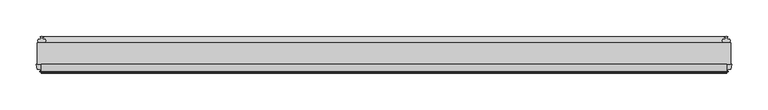
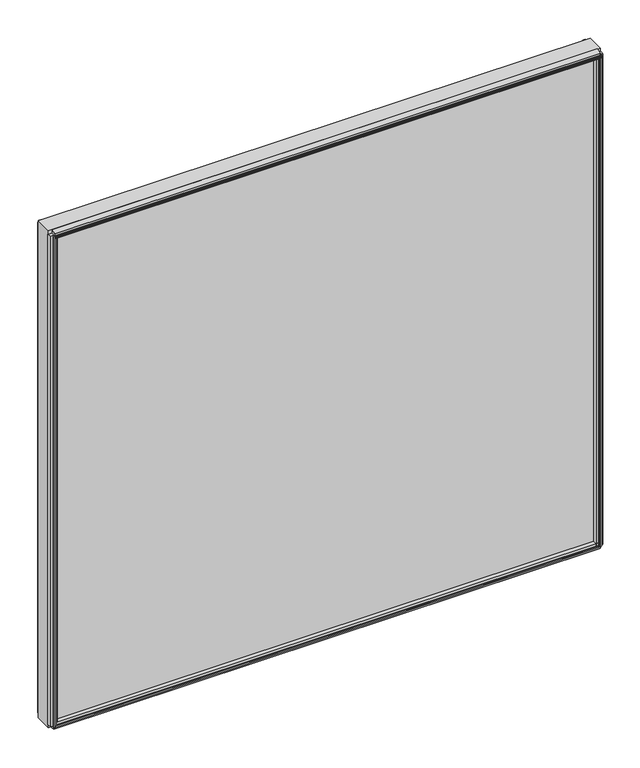
"""IFC4 building model written with IfcOpenShell, lengths in millimetres: plate geometry."""

from ifc_helpers import new_model, si_unit, point, frame, frame_2d, origin, place, context, project, spatial, polyline, circle_curve, trimmed, segment, composite_curve, outline, extrude, source, transform, mapped, element, save


def plate_c6a402ee(model_context):
    return source(origin(), model_context, "Body", "SweptSolid", [
        extrude(outline(polyline([(471.425, 0.0611188), (471.425, -30.0632812), (-482.5375, -30.0632812), (-482.5375, 0.0611188), (471.425, 0.0611188)])), frame((0.0, 0.0, -11.1125), z_axis=(0.0, 0.0, 1.0), x_axis=(1.0, 0.0, 0.0)), (0.0, 0.0, 1.0), 908.0162004),
        extrude(outline(composite_curve([segment(polyline([(8.0873088, 0.0002053), (5.6997088, 0.0001442)]), True, "CONTINUOUS"), segment(trimmed(circle_curve(frame_2d((5.6997289, -0.7872558)), 0.7874), [point((5.6997088, 0.0001442))], [point((4.9123289, -0.7872759))], True, "CARTESIAN"), True, "CONTINUOUS"), segment(polyline([(4.9123289, -0.7872759), (4.9123491, -1.5746759), (6.4871491, -1.5746356), (4.9125187, -7.3281779), (4.9125187, -8.2080719)]), True, "CONTINUOUS"), segment(trimmed(circle_curve(frame_2d((2.4868178, -8.16973)), 2.426004), [point((4.9125187, -8.2080719))], [point((0.0611188, -8.208196))], False, "CARTESIAN"), True, "CONTINUOUS"), segment(polyline([(0.0611188, -8.208196), (0.0611188, 5.8106117)]), True, "CONTINUOUS"), segment(trimmed(circle_curve(frame_2d((11.7432902, 13.4990678)), 13.9851882), [point((0.0611188, 5.8106117))], [point((8.0873088, 0.0002053))], True, "CARTESIAN"), True, "CONTINUOUS")], self_intersect=False)), frame((-476.98125, 0.0, 0.0), z_axis=(1.0, 0.0, 0.0), x_axis=(0.0, 1.0, 0.0)), (0.0, 0.0, 1.0), 942.85),
        extrude(outline(polyline([(-39.5149036, -7.140847), (-39.2671431, -8.6868), (-40.0794863, -8.6868), (-40.4772812, -6.35), (-40.0622654, -4.0132), (-39.2489981, -4.0132), (-39.5092713, -5.5660571), (-36.7897626, -5.0931804), (-36.7897626, -0.8006079), (-30.0632812, 0.3636403), (-30.0632812, -13.1466842), (-36.798847, -11.9285134), (-36.798847, -7.6331642), (-39.5149036, -7.140847)])), frame((-476.98125, 0.0, 0.0), z_axis=(1.0, 0.0, 0.0), x_axis=(0.0, 1.0, 0.0)), (0.0, 0.0, 1.0), 942.85),
        extrude(outline(polyline([(-30.0632813, 897.4956015), (-30.0632813, 883.1260134), (-36.7942812, 884.8951854), (-37.9052879, 889.0415186), (-40.6553872, 888.804256), (-40.0090278, 887.3733906), (-40.7941323, 887.1630224), (-41.7914929, 889.3150138), (-42.003749, 891.6773734), (-41.2186445, 891.8877415), (-41.0629754, 890.325396), (-38.5626883, 891.4949702), (-39.6736949, 895.6413034), (-30.0632813, 897.4956015)])), frame((-476.98125, 0.0, 0.0), z_axis=(1.0, 0.0, 0.0), x_axis=(0.0, 1.0, 0.0)), (0.0, 0.0, 1.0), 942.85),
        extrude(outline(polyline([(466.6209429, -39.5092713), (468.1694246, -39.2497314), (468.1723316, -40.0625262), (465.837, -40.4772812), (463.4987614, -40.0792415), (463.4987614, -39.2664467), (465.046153, -39.5149036), (464.5538273, -36.7987999), (460.2752005, -36.7987999), (459.0819, -30.0632812), (472.5921, -30.0632812), (471.4031205, -36.7744101), (467.0964891, -36.7744101), (466.6209429, -39.5092713)])), frame((0.0, 0.0, -5.55625), z_axis=(0.0, 0.0, 1.0), x_axis=(1.0, 0.0, 0.0)), (0.0, 0.0, 1.0), 896.9037004),
        extrude(outline(polyline([(464.2910571, 7.5513088), (462.7425754, 7.2917689), (462.7396684, 8.1045637), (465.075, 8.5193188), (467.4132386, 8.121279), (467.4132386, 7.3084842), (465.865847, 7.5569411), (466.3581727, 4.8408374), (469.8491409, 4.8408374), (470.3779556, 2.5845617), (469.8448338, 0.0611188), (460.3051662, 0.0611188), (459.7720444, 2.5845617), (460.2998, 4.8363188), (463.8189662, 4.8363188), (464.2910571, 7.5513088)])), frame((0.0, 0.0, -5.55625), z_axis=(0.0, 0.0, 1.0), x_axis=(1.0, 0.0, 0.0)), (0.0, 0.0, 1.0), 896.9037004),
        extrude(outline(polyline([(-477.7334429, -39.5092713), (-478.2089891, -36.7744101), (-482.5156205, -36.7744101), (-483.7046, -30.0632812), (-470.1944, -30.0632812), (-471.3877005, -36.7987999), (-475.6663273, -36.7987999), (-476.158653, -39.5149036), (-474.6112614, -39.2664467), (-474.6112614, -40.0792415), (-476.9495, -40.4772812), (-479.2848316, -40.0625262), (-479.2819246, -39.2497314), (-477.7334429, -39.5092713)])), frame((0.0, 0.0, -5.55625), z_axis=(0.0, 0.0, 1.0), x_axis=(1.0, 0.0, 0.0)), (0.0, 0.0, 1.0), 896.9037004),
        extrude(outline(polyline([(-475.4035571, 7.5513088), (-474.9314662, 4.8363188), (-471.4123, 4.8363188), (-470.8845444, 2.5845617), (-471.4176662, 0.0611188), (-480.9573338, 0.0611188), (-481.4904556, 2.5845617), (-480.9616409, 4.8408374), (-477.4706727, 4.8408374), (-476.978347, 7.5569411), (-478.5257386, 7.3084842), (-478.5257386, 8.121279), (-476.1875, 8.5193188), (-473.8521684, 8.1045637), (-473.8550754, 7.2917689), (-475.4035571, 7.5513088)])), frame((0.0, 0.0, -5.55625), z_axis=(0.0, 0.0, 1.0), x_axis=(1.0, 0.0, 0.0)), (0.0, 0.0, 1.0), 896.9037004),
    ])


if __name__ == "__main__":
    model = new_model("IFC4")
    model_context = context("Model", 3, world=origin())
    ifc_project = project(units=[si_unit("LENGTHUNIT", "METRE", prefix="MILLI")], contexts=[model_context])
    site = spatial("IfcSite", under=ifc_project)
    building = spatial("IfcBuilding", under=site)
    placement = place(None, origin())
    plate_shape = plate_c6a402ee(model_context)
    element("IfcPlate", 1, at=placement, inside=building, context=model_context, shape_type="MappedRepresentation", body=[
        mapped(plate_shape, transform((0.0, 0.0, 0.0), x_axis=(1.0, 0.0, 0.0), y_axis=(0.0, 1.0, 0.0), z_axis=(0.0, 0.0, 1.0))),
    ])
    save(model, "model.ifc")
